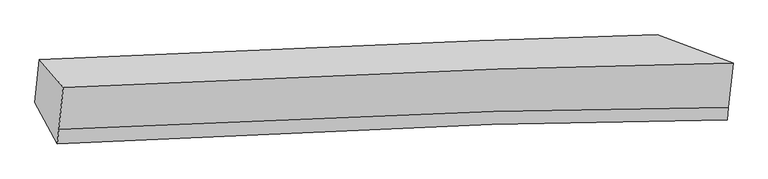
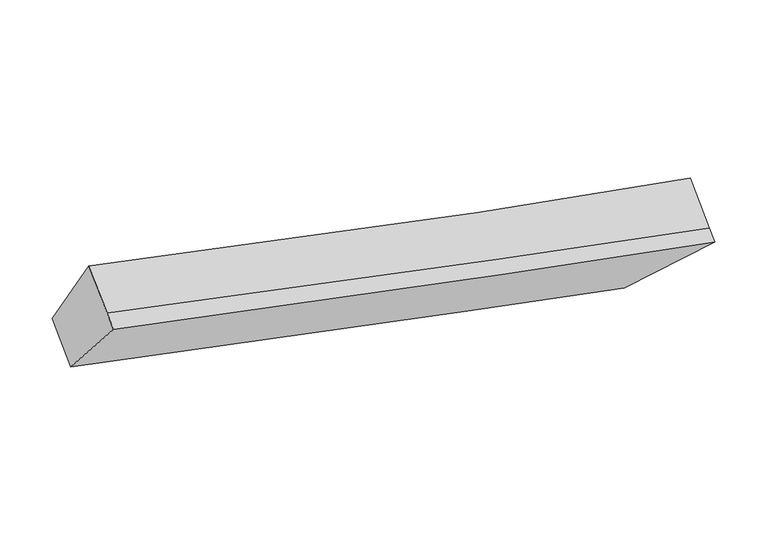
"""IFC4 building model written with IfcOpenShell, lengths in millimetres: proxy geometry."""

from ifc_helpers import new_model, si_unit, frame, origin, place, context, project, spatial, source, transform, mapped, element, save
from ifc_brep_helpers import plane_surface, spline_curve, spline_surface, advanced_brep


def generic_models_6a4287fa(model_context):
    return source(origin(), model_context, "Body", "AdvancedBrep", [
        advanced_brep(
        [(-3037.842059, -1820.3266506, 3706.0580348), (-2814.8073363, -2083.8009208, 4355.813994), (3472.4336824, -1855.4034575, 2963.910736), (2759.7161959, -1589.4821067, 2391.6316184), (-2856.2174604, -2479.4288574, 4099.2485567), (3428.89882, -2271.3309188, 2694.18102), (-2870.6521114, -2617.3359833, 4009.8155345), (3416.6512373, -2388.3430257, 2618.2984557), (-3080.4350089, -2227.2551799, 3442.1641426), (2717.0805659, -1996.818397, 2127.4732924)],
        [
            (0, 1),
            (1, 2, spline_curve(3, [(-2814.8073363, -2083.8009208, 4355.813994), (-1568.04760661, -2015.502384874, 4028.660725002), (-208.714436898, -1958.633579395, 3711.080213104), (1973.397446201, -1891.269832128, 3254.456555691), (2709.811282767, -1872.006149754, 3108.069314441), (3472.4336824, -1855.4034575, 2963.910736)], [4, 2, 4], [0.0, 13.714688732338132, 20.33212233758151])),
            (2, 3),
            (3, 0, spline_curve(3, [(2759.7161959, -1589.4821067, 2391.6316184), (2239.917785441, -1605.298096609, 2494.406401359), (1684.58724854, -1624.117527721, 2610.143229996), (-130.84342631, -1691.168492395, 3005.571639708), (-1508.032307868, -1749.297242653, 3327.976950159), (-3037.842059, -1820.3266506, 3706.0580348)], [4, 2, 4], [0.0, 6.617433605243377, 20.33212233758151])),
            (1, 4),
            (4, 5, spline_curve(3, [(-2856.2174604, -2479.4288574, 4099.2485567), (-1608.467619623, -2401.670907745, 3778.22973454), (-249.134450192, -2344.802102317, 3460.649223105), (1931.509586686, -2291.462002392, 2994.931204499), (2667.215177101, -2278.964828005, 2844.155870558), (3428.89882, -2271.3309188, 2694.18102)], [4, 2, 4], [0.0, 14.262686454923559, 21.144532808848794])),
            (5, 2),
            (4, 6),
            (6, 7, spline_curve(3, [(-2870.6521114, -2617.3359833, 4009.8155345), (-1622.577469429, -2536.47491711, 3690.809088873), (-262.806886287, -2475.427108341, 3375.938668896), (1918.652568138, -2414.296594688, 2915.272747662), (2654.649767598, -2399.013418115, 2766.304141325), (3416.6512373, -2388.3430257, 2618.2984557)], [4, 2, 4], [0.0, 14.262732074803825, 21.14460044064159])),
            (7, 5),
            (6, 8),
            (8, 9, spline_curve(3, [(-3080.4350089, -2227.2551799, 3442.1641426), (-1549.261411789, -2143.195732969, 3072.533061789), (-171.635116954, -2080.887978881, 2752.837843049), (1643.07058475, -2020.763333581, 2352.917702667), (2197.949481349, -2006.258826421, 2234.382637986), (2717.0805659, -1996.818397, 2127.4732924)], [4, 2, 4], [0.0, 13.714662081400464, 20.3320828273793])),
            (9, 7),
            (8, 0),
            (3, 9),
        ],
        [
            spline_surface(3, 3, [[(-3037.842059, -1820.3266506, 3706.0580348), (-1508.032307779, -1749.29724277, 3327.976950209), (-130.843426353, -1691.168492482, 3005.571639914), (1684.587248561, -1624.117527679, 2610.143229896), (2239.917785426, -1605.298096659, 2494.406401421), (2759.7161959, -1589.4821067, 2391.6316184)], [(-2963.497151434, -1908.151407345, 3922.643354531), (-1528.037407343, -1838.03229012, 3561.538208414), (-156.800429824, -1780.323521448, 3240.741164392), (1780.857314437, -1713.168295822, 2824.914338478), (2396.548951184, -1694.200781031, 2698.960705778), (2997.288691388, -1678.122556983, 2582.391324273)], [(-2889.152243866, -1995.976164055, 4139.228674269), (-1548.042506903, -1926.767337435, 3795.099466628), (-182.75743333, -1869.478550433, 3475.910688824), (1877.127380278, -1802.219063984, 3039.685447014), (2553.180116976, -1783.103465354, 2903.515010116), (3234.861186912, -1766.763007217, 2773.151030127)], [(-2814.8073363, -2083.8009208, 4355.813994), (-1568.047606467, -2015.502384785, 4028.660724834), (-208.714436801, -1958.6335794, 3711.080213302), (1973.397446154, -1891.269832126, 3254.456555596), (2709.811282733, -1872.006149726, 3108.069314473), (3472.4336824, -1855.4034575, 2963.910736)]], [4, 4], [4, 2, 4], [0.0, 2.4204622118046575], [0.0, 13.714688732338132, 20.33212233758151]),
            spline_surface(3, 3, [[(-2814.8073363, -2083.8009208, 4355.813994), (-1568.047606467, -2015.502384785, 4028.660724834), (-208.714436801, -1958.6335794, 3711.080213302), (1973.397446154, -1891.269832126, 3254.456555596), (2709.811282733, -1872.006149726, 3108.069314473), (3472.4336824, -1855.4034575, 2963.910736)], [(-2828.610710995, -2215.676899681, 4270.292181564), (-1581.520944229, -2144.225225779, 3945.18372806), (-222.187774562, -2087.356420393, 3627.603216528), (1959.434826321, -2024.667222176, 3167.948105247), (2695.612580866, -2007.659042516, 3020.09816649), (3457.9220616, -1994.045944601, 2874.000830663)], [(-2842.414085705, -2347.552878519, 4184.770369136), (-1594.994282004, -2272.94806673, 3861.706731292), (-235.661112338, -2216.079261444, 3544.126219761), (1945.472206474, -2158.064612283, 3081.439654905), (2681.413878997, -2143.311935303, 2932.127018519), (3443.4104408, -2132.688431699, 2784.090925337)], [(-2856.2174604, -2479.4288574, 4099.2485567), (-1608.467619766, -2401.670907723, 3778.229734518), (-249.134450099, -2344.802102438, 3460.649222987), (1931.509586641, -2291.462002333, 2994.931204556), (2667.215177129, -2278.964828093, 2844.155870536), (3428.89882, -2271.3309188, 2694.18102)]], [4, 4], [4, 2, 4], [0.0, 1.531626724177222], [0.0, 14.262686454923559, 21.144532808848794]),
            spline_surface(3, 3, [[(-2856.2174604, -2479.4288574, 4099.2485567), (-1608.467619766, -2401.670907723, 3778.229734518), (-249.134450099, -2344.802102438, 3460.649222987), (1931.509586641, -2291.462002333, 2994.931204556), (2667.215177129, -2278.964828093, 2844.155870536), (3428.89882, -2271.3309188, 2694.18102)], [(-2861.029010738, -2525.397899371, 4069.437549277), (-1613.170903032, -2446.605577573, 3749.089519299), (-253.69192881, -2388.343771016, 3432.412371629), (1927.223913792, -2332.406866512, 2968.37838558), (2663.026707318, -2318.981024758, 2818.205294134), (3424.816292441, -2310.334954412, 2668.886831884)], [(-2865.840561062, -2571.366941329, 4039.626541923), (-1617.874186286, -2491.540247409, 3719.949304149), (-258.249407509, -2431.885439527, 3404.175520289), (1922.938240955, -2373.351730623, 2941.825566621), (2658.838237484, -2358.997221485, 2792.254717782), (3420.733764859, -2349.338990088, 2643.592643816)], [(-2870.6521114, -2617.3359833, 4009.8155345), (-1622.577469553, -2536.474917259, 3690.809088931), (-262.80688622, -2475.427108105, 3375.938668931), (1918.652568106, -2414.296594802, 2915.272747645), (2654.649767672, -2399.01341815, 2766.30414138), (3416.6512373, -2388.3430257, 2618.2984557)]], [4, 4], [4, 2, 4], [0.0, 0.5072896011357411], [0.0, 14.262732074803825, 21.14460044064159]),
            spline_surface(3, 3, [[(-2870.6521114, -2617.3359833, 4009.8155345), (-1622.577469553, -2536.474917259, 3690.809088931), (-262.80688622, -2475.427108105, 3375.938668931), (1918.652568106, -2414.296594802, 2915.272747645), (2654.649767672, -2399.01341815, 2766.30414138), (3416.6512373, -2388.3430257, 2618.2984557)], [(-2940.579743906, -2487.309048807, 3820.598403884), (-1598.138783643, -2405.381855859, 3484.717079965), (-232.416296404, -2343.914065089, 3168.238393693), (1826.791906979, -2283.118841021, 2727.821065958), (2502.416338873, -2268.095220969, 2588.996973585), (3183.4610135, -2257.83481616, 2454.690067942)], [(-3010.507376394, -2357.282114393, 3631.381273216), (-1573.700097714, -2274.288794539, 3278.625070947), (-202.025706629, -2212.401022098, 2960.538118457), (1734.931245809, -2151.941087265, 2540.369384272), (2350.182910073, -2137.177023709, 2411.689805764), (2950.2707897, -2127.32660654, 2291.081680158)], [(-3080.4350089, -2227.2551799, 3442.1641426), (-1549.261411805, -2143.195733139, 3072.533061981), (-171.635116813, -2080.887979083, 2752.837843219), (1643.070584682, -2020.763333484, 2352.917702585), (2197.949481275, -2006.258826528, 2234.382637969), (2717.0805659, -1996.818397, 2127.4732924)]], [4, 4], [4, 2, 4], [0.0, 2.36867011757489], [0.0, 13.714662081400464, 20.3320828273793]),
            spline_surface(3, 3, [[(-3080.4350089, -2227.2551799, 3442.1641426), (-1549.261411805, -2143.195733139, 3072.533061981), (-171.635116813, -2080.887979083, 2752.837843219), (1643.070584682, -2020.763333484, 2352.917702585), (2197.949481275, -2006.258826528, 2234.382637969), (2717.0805659, -1996.818397, 2127.4732924)], [(-3066.237358926, -2091.612336796, 3530.128773344), (-1535.518377122, -2011.896236345, 3157.681024734), (-158.037886686, -1950.98148356, 2837.08244211), (1656.909472615, -1888.548064894, 2438.659545015), (2211.938915996, -1872.605249882, 2321.057225792), (2731.29244257, -1861.039633544, 2215.526067739)], [(-3052.039708974, -1955.969493704, 3618.093404056), (-1521.775342461, -1880.596739564, 3242.828987456), (-144.440656479, -1821.074988004, 2921.327041022), (1670.748360628, -1756.33279627, 2524.401387466), (2225.928350706, -1738.951673305, 2407.731813598), (2745.50431923, -1725.260870156, 2303.578843061)], [(-3037.842059, -1820.3266506, 3706.0580348), (-1508.032307779, -1749.29724277, 3327.976950209), (-130.843426353, -1691.168492482, 3005.571639914), (1684.587248561, -1624.117527679, 2610.143229896), (2239.917785426, -1605.298096659, 2494.406401421), (2759.7161959, -1589.4821067, 2391.6316184)]], [4, 4], [4, 2, 4], [0.0, 1.540880992347526], [0.0, 13.166791963939357, 19.519861531604743]),
            plane_surface(frame((3091.4704204, -1957.5117467, 2525.3285256), z_axis=(0.6621761342604624, 0.3577036073090555, -0.6584610060846119), x_axis=(-0.7442241185091413, 0.4165155623617061, -0.5221544290148303))),
            plane_surface(frame((-2950.9341289, -2187.1796836, 3878.4629265), z_axis=(-0.9526033430567503, -0.08895344113781205, 0.2909195010769219), x_axis=(-0.08748273341153098, -0.8358007631179777, -0.5420183167811334))),
        ],
        [
            (0, [[1, 2, 3, 4]]),
            (1, [[5, 6, 7, -2]]),
            (2, [[8, 9, 10, -6]]),
            (3, [[11, 12, 13, -9]]),
            (4, [[14, -4, 15, -12]]),
            (5, [[-13, -15, -3, -7, -10]]),
            (6, [[-14, -11, -8, -5, -1]]),
        ],
    ),
    ])


if __name__ == "__main__":
    model = new_model("IFC4")
    model_context = context("Model", 3, world=origin())
    ifc_project = project(units=[si_unit("LENGTHUNIT", "METRE", prefix="MILLI")], contexts=[model_context])
    site = spatial("IfcSite", under=ifc_project)
    building = spatial("IfcBuilding", under=site)
    placement = place(None, origin())
    generic_models_shape = generic_models_6a4287fa(model_context)
    element("IfcBuildingElementProxy", 1, Name="Generic Models", at=placement, inside=building, context=model_context, shape_type="MappedRepresentation", body=[
        mapped(generic_models_shape, transform((0.0, 0.0, 0.0), x_axis=(1.0, 0.0, 0.0), y_axis=(0.0, 1.0, 0.0), z_axis=(0.0, 0.0, 1.0))),
    ])
    save(model, "model.ifc")
